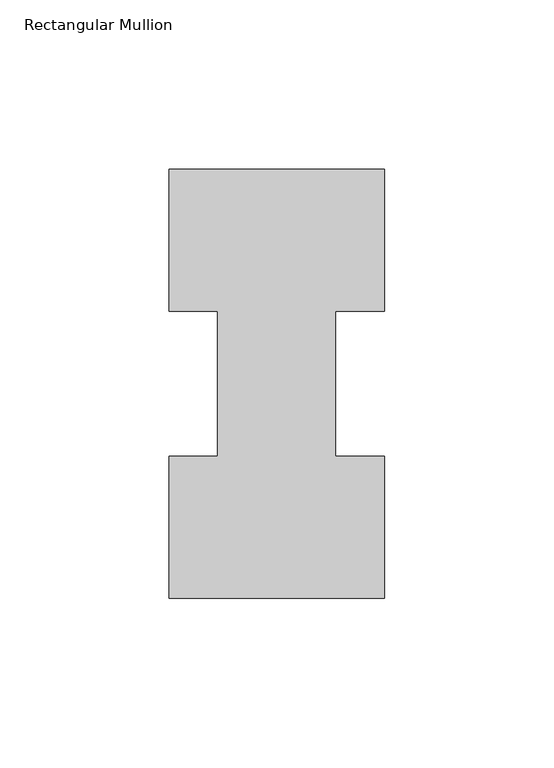
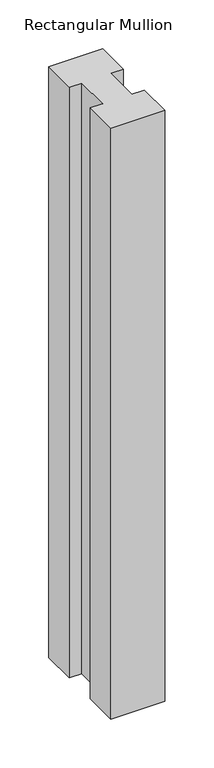
"""IFC4 building model written with IfcOpenShell, lengths in millimetres: member geometry, Rectangular Mullion."""

from ifc_helpers import new_model, si_unit, frame, origin, place, context, project, spatial, polyline, outline, extrude, source, transform, mapped, element, save


def rectangular_mullion_2557d06b(model_context):
    return source(origin(), model_context, "Body", "SweptSolid", [
        extrude(outline(polyline([(-63.5, -0.0373062), (-63.5, 41.7837937), (-49.2125, 41.7837937), (-49.2125, 84.6335938), (-63.5, 84.6335938), (-63.5, 126.4546937), (0.0, 126.4546938), (0.0, 84.6335938), (-14.4999808, 84.6335938), (-14.4999808, 41.7837937), (0.0, 41.7837937), (0.0, -0.0373062), (-63.5, -0.0373062)])), frame((0.0, 0.0, -736.6934633), z_axis=(0.0, 0.0, 1.0), x_axis=(1.0, 0.0, 0.0)), (0.0, 0.0, 1.0), 736.6934633),
    ])


if __name__ == "__main__":
    model = new_model("IFC4")
    model_context = context("Model", 3, world=origin())
    ifc_project = project(units=[si_unit("LENGTHUNIT", "METRE", prefix="MILLI")], contexts=[model_context])
    site = spatial("IfcSite", under=ifc_project)
    building = spatial("IfcBuilding", under=site)
    placement = place(None, origin())
    rectangular_mullion_shape = rectangular_mullion_2557d06b(model_context)
    element("IfcMember", 1, ObjectType="Rectangular Mullion", at=placement, inside=building, context=model_context, shape_type="MappedRepresentation", body=[
        mapped(rectangular_mullion_shape, transform((0.0, 0.0, 0.0), x_axis=(1.0, 0.0, 0.0), y_axis=(0.0, 1.0, 0.0), z_axis=(0.0, 0.0, 1.0))),
    ])
    save(model, "model.ifc")
